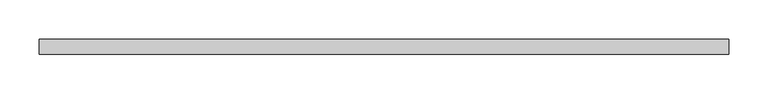
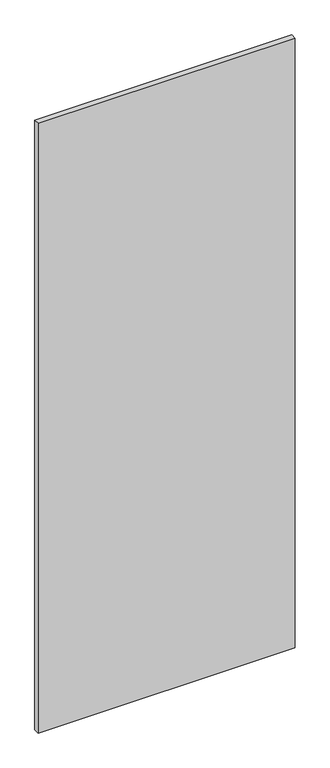
"""IFC4 building model written with IfcOpenShell, lengths in millimetres: proxy geometry."""

from ifc_helpers import new_model, si_unit, frame, origin, place, context, project, spatial, polyline, outline, extrude, source, transform, mapped, element, save


def specialty_equipment_7f495c1c(model_context):
    return source(origin(), model_context, "Body", "SweptSolid", [
        extrude(outline(polyline([(439.5049898, -9.525), (-439.5049898, -9.525), (-439.5049898, 9.525), (439.5049898, 9.525), (439.5049898, -9.525)])), frame((0.0, 0.0, 3.175), z_axis=(0.0, 0.0, 1.0), x_axis=(1.0, 0.0, 0.0)), (0.0, 0.0, 1.0), 2203.45),
    ])


if __name__ == "__main__":
    model = new_model("IFC4")
    model_context = context("Model", 3, world=origin())
    ifc_project = project(units=[si_unit("LENGTHUNIT", "METRE", prefix="MILLI")], contexts=[model_context])
    site = spatial("IfcSite", under=ifc_project)
    building = spatial("IfcBuilding", under=site)
    placement = place(None, origin())
    specialty_equipment_shape = specialty_equipment_7f495c1c(model_context)
    element("IfcBuildingElementProxy", 1, Name="Specialty Equipment", at=placement, inside=building, context=model_context, shape_type="MappedRepresentation", body=[
        mapped(specialty_equipment_shape, transform((0.0, 0.0, 0.0), x_axis=(1.0, 0.0, 0.0), y_axis=(0.0, 1.0, 0.0), z_axis=(0.0, 0.0, 1.0))),
    ])
    save(model, "model.ifc")
